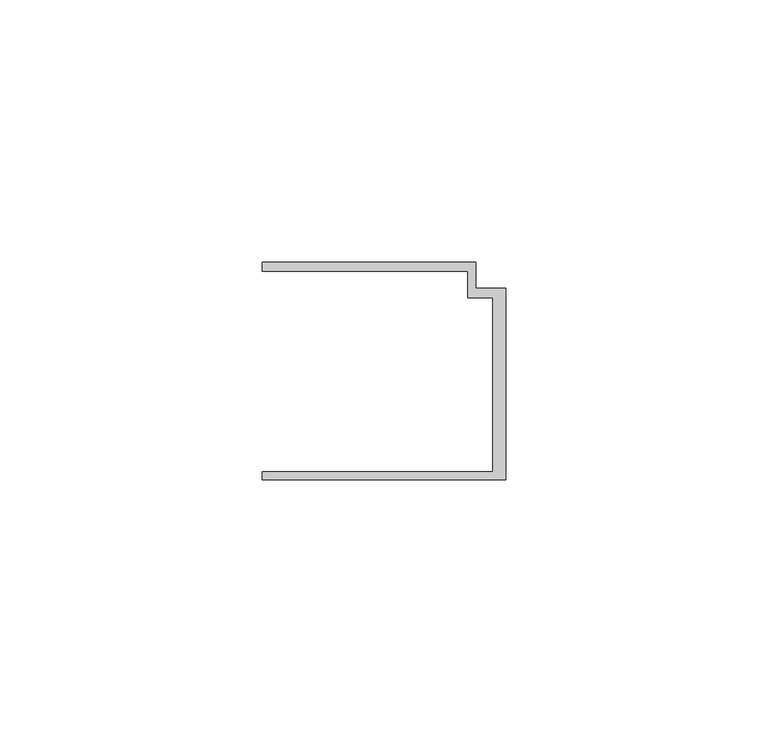
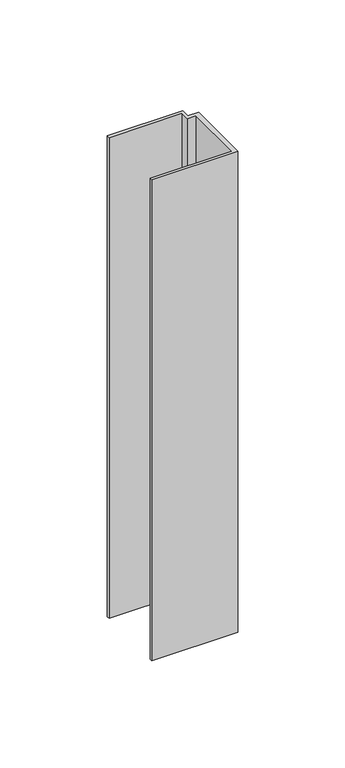
"""IFC4 building model written with IfcOpenShell, lengths in millimetres: member geometry."""

from ifc_helpers import new_model, si_unit, frame, origin, place, context, project, spatial, polyline, outline, extrude, source, transform, mapped, element, save


def member_9cdc7494(model_context):
    return source(origin(), model_context, "Body", "SweptSolid", [
        extrude(outline(polyline([(-46.3, -19.2), (-2.4, -19.2), (-2.4, 14.0), (-7.2, 14.0), (-7.2, 19.0), (-46.3, 19.0), (-46.3, 20.7), (-5.6999992, 20.7), (-5.6999992, 15.8), (0.0, 15.8), (0.0, -20.7), (-46.3, -20.7), (-46.3, -19.2)])), frame((0.0, 0.0, -273.7188947), z_axis=(0.0, 0.0, 1.0), x_axis=(1.0, 0.0, 0.0)), (0.0, 0.0, 1.0), 273.7188947),
    ])


if __name__ == "__main__":
    model = new_model("IFC4")
    model_context = context("Model", 3, world=origin())
    ifc_project = project(units=[si_unit("LENGTHUNIT", "METRE", prefix="MILLI")], contexts=[model_context])
    site = spatial("IfcSite", under=ifc_project)
    building = spatial("IfcBuilding", under=site)
    placement = place(None, origin())
    member_shape = member_9cdc7494(model_context)
    element("IfcMember", 1, at=placement, inside=building, context=model_context, shape_type="MappedRepresentation", body=[
        mapped(member_shape, transform((0.0, 0.0, 0.0), x_axis=(1.0, 0.0, 0.0), y_axis=(0.0, 1.0, 0.0), z_axis=(0.0, 0.0, 1.0))),
    ])
    save(model, "model.ifc")
